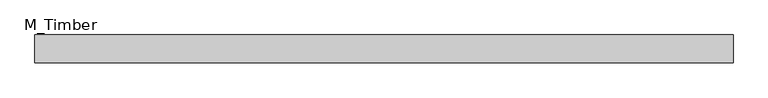
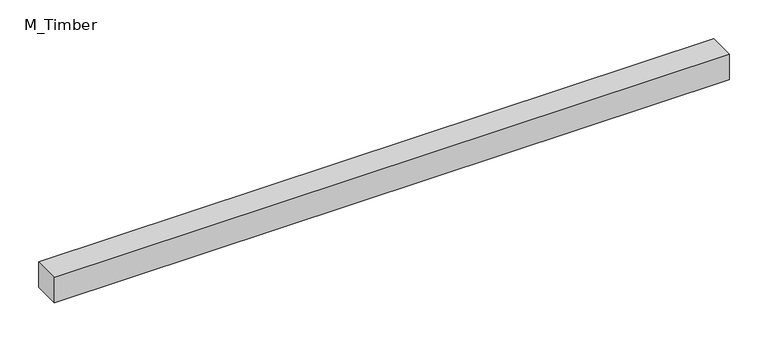
"""IFC4 building model written with IfcOpenShell, lengths in millimetres: beam geometry, M_Timber."""

from ifc_helpers import new_model, si_unit, frame, origin, place, context, project, spatial, polyline, outline, extrude, source, transform, mapped, element, save


def m_timber_8c7c658a(model_context):
    return source(origin(), model_context, "Body", "SweptSolid", [
        extrude(outline(polyline([(500.9916979, 20.0), (500.9916979, -20.0), (-500.9916979, -20.0), (-500.9916979, 20.0), (500.9916979, 20.0)])), frame((0.0, 0.0, -20.0), z_axis=(0.0, 0.0, 1.0), x_axis=(1.0, 0.0, 0.0)), (0.0, 0.0, 1.0), 40.0),
    ])


if __name__ == "__main__":
    model = new_model("IFC4")
    model_context = context("Model", 3, world=origin())
    ifc_project = project(units=[si_unit("LENGTHUNIT", "METRE", prefix="MILLI")], contexts=[model_context])
    site = spatial("IfcSite", under=ifc_project)
    building = spatial("IfcBuilding", under=site)
    placement = place(None, origin())
    m_timber_shape = m_timber_8c7c658a(model_context)
    element("IfcBeam", 1, ObjectType="M_Timber", at=placement, inside=building, context=model_context, shape_type="MappedRepresentation", body=[
        mapped(m_timber_shape, transform((0.0, 0.0, 0.0), x_axis=(1.0, 0.0, 0.0), y_axis=(0.0, 1.0, 0.0), z_axis=(0.0, 0.0, 1.0))),
    ])
    save(model, "model.ifc")
